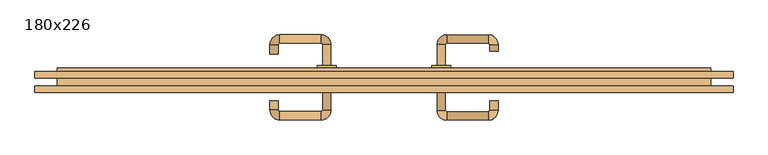
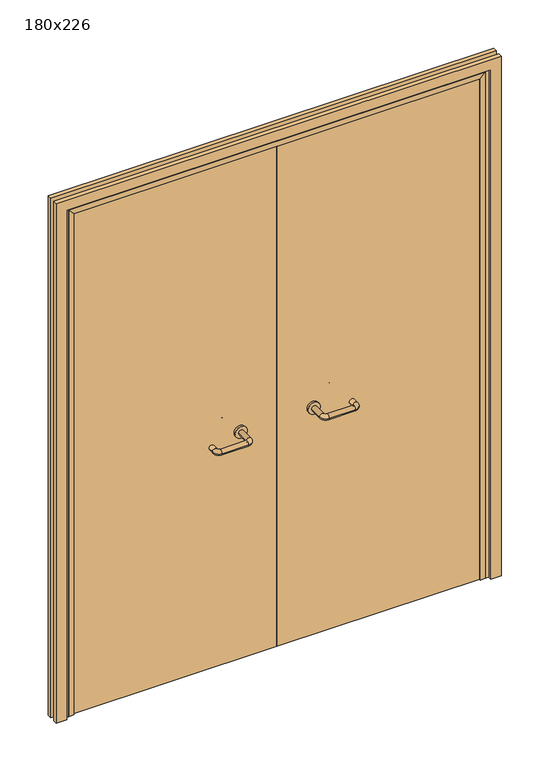
"""IFC4 building model written with IfcOpenShell, lengths in millimetres: door geometry, 180x226."""

from ifc_helpers import new_model, si_unit, point, frame, frame_2d, origin, place, context, project, spatial, polyline, circle_curve, ellipse_curve, trimmed, segment, composite_curve, outline, extrude, faceted_brep, source, transform, mapped, element, save
from ifc_brep_helpers import plane_surface, cylinder_surface, revolved_surface, advanced_brep


def door_180x226_486c941a(model_context):
    return source(origin(), model_context, "Body", "SolidModel", [
        faceted_brep([(-847.0, 37.0, 0.0), (-847.0, -15.0, 0.0), (-868.0, -15.0, 0.0), (-868.0, 37.0, 0.0), (-847.0, 37.0, 2207.0), (-847.0, -15.0, 2207.0), (-868.0, -15.0, 2228.0), (-868.0, 37.0, 2228.0), (847.0, 37.0, 0.0), (868.0, 37.0, 0.0), (868.0, -15.0, 0.0), (847.0, -15.0, 0.0), (868.0, 37.0, 2228.0), (847.0, 37.0, 2207.0), (868.0, -15.0, 2228.0), (847.0, -15.0, 2207.0)], [[[0, 1, 2, 3]], [[0, 4, 5, 1]], [[1, 5, 6, 2]], [[2, 6, 7, 3]], [[3, 7, 4, 0]], [[8, 9, 10, 11]], [[12, 9, 8, 13]], [[14, 10, 9, 12]], [[15, 11, 10, 14]], [[13, 8, 11, 15]], [[4, 13, 15, 5]], [[5, 15, 14, 6]], [[6, 14, 12, 7]], [[7, 12, 13, 4]]]),
        extrude(outline(polyline([(2287.0, 927.0), (2287.0, -927.0), (0.0, -927.0), (0.0, -883.0), (2243.0, -883.0), (2243.0, 883.0), (0.0, 883.0), (0.0, 927.0), (2287.0, 927.0)])), frame((0.0, -28.0, 0.0), z_axis=(0.0, 1.0, 0.0), x_axis=(0.0, 0.0, 1.0)), (0.0, 0.0, 1.0), 18.0),
        extrude(outline(polyline([(2287.0, -927.0), (0.0, -927.0), (0.0, -883.0), (2243.0, -883.0), (2243.0, 883.0), (0.0, 883.0), (0.0, 927.0), (2287.0, 927.0), (2287.0, -927.0)])), frame((0.0, 10.0, 0.0), z_axis=(0.0, 1.0, 0.0), x_axis=(0.0, 0.0, 1.0)), (0.0, 0.0, 1.0), 18.0),
        extrude(outline(polyline([(2260.0, -900.0), (0.0, -900.0), (0.0, -868.0), (2228.0, -868.0), (2228.0, 868.0), (0.0, 868.0), (0.0, 900.0), (2260.0, 900.0), (2260.0, -900.0)])), frame((0.0, -15.0, 0.0), z_axis=(0.0, 1.0, 0.0), x_axis=(0.0, 0.0, 1.0)), (0.0, 0.0, 1.0), 5.0),
        advanced_brep(
        [(140.99898, 44.0, 1003.0), (162.99898, 44.0, 1003.0), (162.99898, 99.3525369, 1003.0), (140.99898, 99.3525369, 1003.0), (166.99898, 103.3525369, 1003.0), (166.99898, 125.3525369, 1003.0), (276.99898, 103.3525369, 1003.0), (276.99898, 125.3525369, 1003.0), (280.99898, 99.3525369, 1003.0), (302.99898, 99.3525369, 1003.0), (302.99898, 82.0, 1003.0), (280.99898, 82.0, 1003.0)],
        [
            (0, 1, circle_curve(frame((151.99898, 44.0, 1003.0), z_axis=(0.0, -1.0, 0.0), x_axis=(1.0, 0.0, 0.0)), 11.0)),
            (1, 0, circle_curve(frame((151.99898, 44.0, 1003.0), z_axis=(0.0, -1.0, 0.0), x_axis=(1.0, 0.0, 0.0)), 11.0)),
            (1, 2),
            (2, 3, circle_curve(frame((151.99898, 99.3525369, 1003.0), z_axis=(0.0, -1.0, 0.0), x_axis=(1.0, 0.0, 0.0)), 11.0)),
            (3, 0),
            (3, 2, circle_curve(frame((151.99898, 99.3525369, 1003.0), z_axis=(0.0, -1.0, 0.0), x_axis=(1.0, 0.0, 0.0)), 11.0)),
            (4, 5, circle_curve(frame((166.99898, 114.3525369, 1003.0), z_axis=(-1.0, 0.0, 0.0), x_axis=(0.0, -1.0, 0.0)), 11.0)),
            (5, 3, circle_curve(frame((166.99898, 99.3525369, 1003.0), z_axis=(0.0, 0.0, 1.0), x_axis=(-1.0, 0.0, 0.0)), 26.0)),
            (2, 4, circle_curve(frame((166.99898, 99.3525369, 1003.0), z_axis=(0.0, 0.0, -1.0), x_axis=(-1.0, 0.0, 0.0)), 4.0)),
            (5, 4, circle_curve(frame((166.99898, 114.3525369, 1003.0), z_axis=(-1.0, 0.0, 0.0), x_axis=(0.0, -1.0, 0.0)), 11.0)),
            (4, 6),
            (6, 7, circle_curve(frame((276.99898, 114.3525369, 1003.0), z_axis=(-1.0, 0.0, 0.0), x_axis=(0.0, -1.0, 0.0)), 11.0)),
            (7, 5),
            (7, 6, circle_curve(frame((276.99898, 114.3525369, 1003.0), z_axis=(-1.0, 0.0, 0.0), x_axis=(0.0, -1.0, 0.0)), 11.0)),
            (8, 9, circle_curve(frame((291.99898, 99.3525369, 1003.0), z_axis=(0.0, 1.0, 0.0), x_axis=(-1.0, 0.0, 0.0)), 11.0)),
            (9, 7, circle_curve(frame((276.99898, 99.3525369, 1003.0), z_axis=(0.0, 0.0, 1.0), x_axis=(0.0, 1.0, 0.0)), 26.0)),
            (6, 8, circle_curve(frame((276.99898, 99.3525369, 1003.0), z_axis=(0.0, 0.0, -1.0), x_axis=(0.0, 1.0, 0.0)), 4.0)),
            (9, 8, circle_curve(frame((291.99898, 99.3525369, 1003.0), z_axis=(0.0, 1.0, 0.0), x_axis=(-1.0, 0.0, 0.0)), 11.0)),
            (10, 11, circle_curve(frame((291.99898, 82.0, 1003.0), z_axis=(0.0, -1.0, 0.0), x_axis=(-1.0, 0.0, 0.0)), 11.0)),
            (11, 10, circle_curve(frame((291.99898, 82.0, 1003.0), z_axis=(0.0, -1.0, 0.0), x_axis=(-1.0, 0.0, 0.0)), 11.0)),
            (8, 11),
            (10, 9),
        ],
        [
            plane_surface(frame((140.99898, 44.0, 1003.0), z_axis=(0.0, -1.0, 0.0), x_axis=(0.0, 0.0, -1.0))),
            cylinder_surface(frame((151.99898, 44.0, 1003.0), z_axis=(0.0, -1.0, 0.0), x_axis=(1.0, 0.0, 0.0)), 11.0),
            revolved_surface(trimmed(ellipse_curve(frame((151.99898, 99.3525369, 1003.0), z_axis=(0.0, 1.0, 0.0), x_axis=(1.0, 0.0, 0.0)), 11.0, 11.0), [point((140.99898, 99.3525369, 1003.0))], [point((162.99898, 99.3525369, 1003.0))], True, "CARTESIAN"), (166.99898, 99.3525369, 1003.0), (0.0, 0.0, 1.0)),
            revolved_surface(trimmed(ellipse_curve(frame((151.99898, 99.3525369, 1003.0), z_axis=(0.0, 1.0, 0.0), x_axis=(1.0, 0.0, 0.0)), 11.0, 11.0), [point((162.99898, 99.3525369, 1003.0))], [point((140.99898, 99.3525369, 1003.0))], True, "CARTESIAN"), (166.99898, 99.3525369, 1003.0), (0.0, 0.0, 1.0)),
            cylinder_surface(frame((166.99898, 114.3525369, 1003.0), z_axis=(-1.0, 0.0, 0.0), x_axis=(0.0, -1.0, 0.0)), 11.0),
            revolved_surface(trimmed(ellipse_curve(frame((276.99898, 114.3525369, 1003.0), z_axis=(1.0, 0.0, 0.0), x_axis=(0.0, -1.0, 0.0)), 11.0, 11.0), [point((276.99898, 125.3525369, 1003.0))], [point((276.99898, 103.3525369, 1003.0))], True, "CARTESIAN"), (276.99898, 99.3525369, 1003.0), (0.0, 0.0, 1.0)),
            revolved_surface(trimmed(ellipse_curve(frame((276.99898, 114.3525369, 1003.0), z_axis=(1.0, 0.0, 0.0), x_axis=(0.0, -1.0, 0.0)), 11.0, 11.0), [point((276.99898, 103.3525369, 1003.0))], [point((276.99898, 125.3525369, 1003.0))], True, "CARTESIAN"), (276.99898, 99.3525369, 1003.0), (0.0, 0.0, 1.0)),
            plane_surface(frame((280.99898, 82.0, 1003.0), z_axis=(0.0, -1.0, 0.0), x_axis=(0.0, 0.0, 1.0))),
            cylinder_surface(frame((291.99898, 99.3525369, 1003.0), z_axis=(0.0, 1.0, 0.0), x_axis=(-1.0, 0.0, 0.0)), 11.0),
        ],
        [
            (0, [[1, 2]]),
            (1, [[3, 4, 5, -2]]),
            (1, [[-5, 6, -3, -1]]),
            (2, [[7, 8, -4, 9]]),
            (3, [[10, -9, -6, -8]]),
            (4, [[11, 12, 13, -7]]),
            (4, [[-13, 14, -11, -10]]),
            (5, [[15, 16, -12, 17]]),
            (6, [[18, -17, -14, -16]]),
            (7, [[19, 20]]),
            (8, [[21, -19, 22, -15]]),
            (8, [[-22, -20, -21, -18]]),
        ],
    ),
        extrude(outline(composite_curve([segment(trimmed(circle_curve(frame_2d((1003.0, 151.99898)), 25.0), [point((1003.0, 126.99898))], [point((1003.0, 176.99898))], False, "CARTESIAN"), True, "CONTINUOUS"), segment(trimmed(circle_curve(frame_2d((1003.0, 151.99898)), 25.0), [point((1003.0, 176.99898))], [point((1003.0, 126.99898))], False, "CARTESIAN"), True, "CONTINUOUS")], self_intersect=False)), frame((0.0, 34.0, 0.0), z_axis=(0.0, 1.0, 0.0), x_axis=(0.0, 0.0, 1.0)), (0.0, 0.0, 1.0), 10.0),
        advanced_brep(
        [(162.99898, -20.0, 1003.0), (140.99898, -20.0, 1003.0), (140.99898, -75.0, 1003.0), (162.99898, -75.0, 1003.0), (166.99898, -101.0, 1003.0), (166.99898, -79.0, 1003.0), (276.99898, -101.0, 1003.0), (276.99898, -79.0, 1003.0), (302.99898, -75.0, 1003.0), (280.99898, -75.0, 1003.0), (280.99898, -50.0, 1003.0), (302.99898, -50.0, 1003.0)],
        [
            (0, 1, circle_curve(frame((151.99898, -20.0, 1003.0), z_axis=(0.0, 1.0, 0.0), x_axis=(-1.0, 0.0, 0.0)), 11.0)),
            (1, 0, circle_curve(frame((151.99898, -20.0, 1003.0), z_axis=(0.0, 1.0, 0.0), x_axis=(-1.0, 0.0, 0.0)), 11.0)),
            (1, 2),
            (2, 3, circle_curve(frame((151.99898, -75.0, 1003.0), z_axis=(0.0, 1.0, 0.0), x_axis=(-1.0, 0.0, 0.0)), 11.0)),
            (3, 0),
            (3, 2, circle_curve(frame((151.99898, -75.0, 1003.0), z_axis=(0.0, 1.0, 0.0), x_axis=(-1.0, 0.0, 0.0)), 11.0)),
            (4, 5, circle_curve(frame((166.99898, -90.0, 1003.0), z_axis=(-1.0, 0.0, 0.0), x_axis=(0.0, -1.0, 0.0)), 11.0)),
            (5, 3, circle_curve(frame((166.99898, -75.0, 1003.0), z_axis=(0.0, 0.0, -1.0), x_axis=(-1.0, 0.0, 0.0)), 4.0)),
            (2, 4, circle_curve(frame((166.99898, -75.0, 1003.0), z_axis=(0.0, 0.0, 1.0), x_axis=(-1.0, 0.0, 0.0)), 26.0)),
            (5, 4, circle_curve(frame((166.99898, -90.0, 1003.0), z_axis=(-1.0, 0.0, 0.0), x_axis=(0.0, -1.0, 0.0)), 11.0)),
            (4, 6),
            (6, 7, circle_curve(frame((276.99898, -90.0, 1003.0), z_axis=(-1.0, 0.0, 0.0), x_axis=(0.0, -1.0, 0.0)), 11.0)),
            (7, 5),
            (7, 6, circle_curve(frame((276.99898, -90.0, 1003.0), z_axis=(-1.0, 0.0, 0.0), x_axis=(0.0, -1.0, 0.0)), 11.0)),
            (8, 9, circle_curve(frame((291.99898, -75.0, 1003.0), z_axis=(0.0, -1.0, 0.0), x_axis=(1.0, 0.0, 0.0)), 11.0)),
            (9, 7, circle_curve(frame((276.99898, -75.0, 1003.0), z_axis=(0.0, 0.0, -1.0), x_axis=(0.0, -1.0, 0.0)), 4.0)),
            (6, 8, circle_curve(frame((276.99898, -75.0, 1003.0), z_axis=(0.0, 0.0, 1.0), x_axis=(0.0, -1.0, 0.0)), 26.0)),
            (9, 8, circle_curve(frame((291.99898, -75.0, 1003.0), z_axis=(0.0, -1.0, 0.0), x_axis=(1.0, 0.0, 0.0)), 11.0)),
            (10, 11, circle_curve(frame((291.99898, -50.0, 1003.0), z_axis=(0.0, 1.0, 0.0), x_axis=(1.0, 0.0, 0.0)), 11.0)),
            (11, 10, circle_curve(frame((291.99898, -50.0, 1003.0), z_axis=(0.0, 1.0, 0.0), x_axis=(1.0, 0.0, 0.0)), 11.0)),
            (8, 11),
            (10, 9),
        ],
        [
            plane_surface(frame((140.99898, -20.0, 1003.0), z_axis=(0.0, 1.0, 0.0), x_axis=(0.0, 0.0, 1.0))),
            cylinder_surface(frame((151.99898, -20.0, 1003.0), z_axis=(0.0, 1.0, 0.0), x_axis=(-1.0, 0.0, 0.0)), 11.0),
            revolved_surface(trimmed(ellipse_curve(frame((151.99898, -75.0, 1003.0), z_axis=(0.0, -1.0, 0.0), x_axis=(-1.0, 0.0, 0.0)), 11.0, 11.0), [point((162.99898, -75.0, 1003.0))], [point((140.99898, -75.0, 1003.0))], True, "CARTESIAN"), (166.99898, -75.0, 1003.0), (0.0, 0.0, -1.0)),
            revolved_surface(trimmed(ellipse_curve(frame((151.99898, -75.0, 1003.0), z_axis=(0.0, -1.0, 0.0), x_axis=(-1.0, 0.0, 0.0)), 11.0, 11.0), [point((140.99898, -75.0, 1003.0))], [point((162.99898, -75.0, 1003.0))], True, "CARTESIAN"), (166.99898, -75.0, 1003.0), (0.0, 0.0, -1.0)),
            cylinder_surface(frame((166.99898, -90.0, 1003.0), z_axis=(-1.0, 0.0, 0.0), x_axis=(0.0, -1.0, 0.0)), 11.0),
            revolved_surface(trimmed(ellipse_curve(frame((276.99898, -90.0, 1003.0), z_axis=(1.0, 0.0, 0.0), x_axis=(0.0, -1.0, 0.0)), 11.0, 11.0), [point((276.99898, -79.0, 1003.0))], [point((276.99898, -101.0, 1003.0))], True, "CARTESIAN"), (276.99898, -75.0, 1003.0), (0.0, 0.0, -1.0)),
            revolved_surface(trimmed(ellipse_curve(frame((276.99898, -90.0, 1003.0), z_axis=(1.0, 0.0, 0.0), x_axis=(0.0, -1.0, 0.0)), 11.0, 11.0), [point((276.99898, -101.0, 1003.0))], [point((276.99898, -79.0, 1003.0))], True, "CARTESIAN"), (276.99898, -75.0, 1003.0), (0.0, 0.0, -1.0)),
            plane_surface(frame((280.99898, -50.0, 1003.0), z_axis=(0.0, 1.0, 0.0), x_axis=(0.0, 0.0, -1.0))),
            cylinder_surface(frame((291.99898, -75.0, 1003.0), z_axis=(0.0, -1.0, 0.0), x_axis=(1.0, 0.0, 0.0)), 11.0),
        ],
        [
            (0, [[1, 2]]),
            (1, [[3, 4, 5, -2]]),
            (1, [[-5, 6, -3, -1]]),
            (2, [[7, 8, -4, 9]]),
            (3, [[10, -9, -6, -8]]),
            (4, [[11, 12, 13, -7]]),
            (4, [[-13, 14, -11, -10]]),
            (5, [[15, 16, -12, 17]]),
            (6, [[18, -17, -14, -16]]),
            (7, [[19, 20]]),
            (8, [[21, -19, 22, -15]]),
            (8, [[-22, -20, -21, -18]]),
        ],
    ),
        extrude(outline(composite_curve([segment(trimmed(circle_curve(frame_2d((1003.0, 151.99898)), 25.0), [point((1003.0, 176.99898))], [point((1003.0, 126.99898))], False, "CARTESIAN"), True, "CONTINUOUS"), segment(trimmed(circle_curve(frame_2d((1003.0, 151.99898)), 25.0), [point((1003.0, 126.99898))], [point((1003.0, 176.99898))], False, "CARTESIAN"), True, "CONTINUOUS")], self_intersect=False)), frame((0.0, -20.0, 0.0), z_axis=(0.0, 1.0, 0.0), x_axis=(0.0, 0.0, 1.0)), (0.0, 0.0, 1.0), 10.0),
        advanced_brep(
        [(-162.99898, 44.3113879, 1003.0), (-140.99898, 44.3113879, 1003.0), (-140.99898, 99.7220447, 1003.0), (-162.99898, 99.7220447, 1003.0), (-166.99898, 125.7220447, 1003.0), (-166.99898, 103.7220447, 1003.0), (-276.99898, 125.7220447, 1003.0), (-276.99898, 103.7220447, 1003.0), (-302.99898, 99.7220447, 1003.0), (-280.99898, 99.7220447, 1003.0), (-280.99898, 74.7220447, 1003.0), (-302.99898, 74.7220447, 1003.0)],
        [
            (0, 1, circle_curve(frame((-151.99898, 44.3113879, 1003.0), z_axis=(0.0, -1.0, 0.0), x_axis=(1.0, 0.0, 0.0)), 11.0)),
            (1, 0, circle_curve(frame((-151.99898, 44.3113879, 1003.0), z_axis=(0.0, -1.0, 0.0), x_axis=(1.0, 0.0, 0.0)), 11.0)),
            (1, 2),
            (2, 3, circle_curve(frame((-151.99898, 99.7220447, 1003.0), z_axis=(0.0, -1.0, 0.0), x_axis=(1.0, 0.0, 0.0)), 11.0)),
            (3, 0),
            (3, 2, circle_curve(frame((-151.99898, 99.7220447, 1003.0), z_axis=(0.0, -1.0, 0.0), x_axis=(1.0, 0.0, 0.0)), 11.0)),
            (4, 5, circle_curve(frame((-166.99898, 114.7220447, 1003.0), z_axis=(1.0, 0.0, 0.0), x_axis=(0.0, 1.0, 0.0)), 11.0)),
            (5, 3, circle_curve(frame((-166.99898, 99.7220447, 1003.0), z_axis=(0.0, 0.0, -1.0), x_axis=(1.0, 0.0, 0.0)), 4.0)),
            (2, 4, circle_curve(frame((-166.99898, 99.7220447, 1003.0), z_axis=(0.0, 0.0, 1.0), x_axis=(1.0, 0.0, 0.0)), 26.0)),
            (5, 4, circle_curve(frame((-166.99898, 114.7220447, 1003.0), z_axis=(1.0, 0.0, 0.0), x_axis=(0.0, 1.0, 0.0)), 11.0)),
            (4, 6),
            (6, 7, circle_curve(frame((-276.99898, 114.7220447, 1003.0), z_axis=(1.0, 0.0, 0.0), x_axis=(0.0, 1.0, 0.0)), 11.0)),
            (7, 5),
            (7, 6, circle_curve(frame((-276.99898, 114.7220447, 1003.0), z_axis=(1.0, 0.0, 0.0), x_axis=(0.0, 1.0, 0.0)), 11.0)),
            (8, 9, circle_curve(frame((-291.99898, 99.7220447, 1003.0), z_axis=(0.0, 1.0, 0.0), x_axis=(-1.0, 0.0, 0.0)), 11.0)),
            (9, 7, circle_curve(frame((-276.99898, 99.7220447, 1003.0), z_axis=(0.0, 0.0, -1.0), x_axis=(0.0, 1.0, 0.0)), 4.0)),
            (6, 8, circle_curve(frame((-276.99898, 99.7220447, 1003.0), z_axis=(0.0, 0.0, 1.0), x_axis=(0.0, 1.0, 0.0)), 26.0)),
            (9, 8, circle_curve(frame((-291.99898, 99.7220447, 1003.0), z_axis=(0.0, 1.0, 0.0), x_axis=(-1.0, 0.0, 0.0)), 11.0)),
            (10, 11, circle_curve(frame((-291.99898, 74.7220447, 1003.0), z_axis=(0.0, -1.0, 0.0), x_axis=(-1.0, 0.0, 0.0)), 11.0)),
            (11, 10, circle_curve(frame((-291.99898, 74.7220447, 1003.0), z_axis=(0.0, -1.0, 0.0), x_axis=(-1.0, 0.0, 0.0)), 11.0)),
            (8, 11),
            (10, 9),
        ],
        [
            plane_surface(frame((-162.99898, 44.3113879, 1003.0), z_axis=(0.0, -1.0, 0.0), x_axis=(0.0, 0.0, -1.0))),
            cylinder_surface(frame((-151.99898, 44.3113879, 1003.0), z_axis=(0.0, -1.0, 0.0), x_axis=(1.0, 0.0, 0.0)), 11.0),
            revolved_surface(trimmed(ellipse_curve(frame((-151.99898, 99.7220447, 1003.0), z_axis=(0.0, 1.0, 0.0), x_axis=(1.0, 0.0, 0.0)), 11.0, 11.0), [point((-162.99898, 99.7220447, 1003.0))], [point((-140.99898, 99.7220447, 1003.0))], True, "CARTESIAN"), (-166.99898, 99.7220447, 1003.0), (0.0, 0.0, -1.0)),
            revolved_surface(trimmed(ellipse_curve(frame((-151.99898, 99.7220447, 1003.0), z_axis=(0.0, 1.0, 0.0), x_axis=(1.0, 0.0, 0.0)), 11.0, 11.0), [point((-140.99898, 99.7220447, 1003.0))], [point((-162.99898, 99.7220447, 1003.0))], True, "CARTESIAN"), (-166.99898, 99.7220447, 1003.0), (0.0, 0.0, -1.0)),
            cylinder_surface(frame((-166.99898, 114.7220447, 1003.0), z_axis=(1.0, 0.0, 0.0), x_axis=(0.0, 1.0, 0.0)), 11.0),
            revolved_surface(trimmed(ellipse_curve(frame((-276.99898, 114.7220447, 1003.0), z_axis=(-1.0, 0.0, 0.0), x_axis=(0.0, 1.0, 0.0)), 11.0, 11.0), [point((-276.99898, 103.7220447, 1003.0))], [point((-276.99898, 125.7220447, 1003.0))], True, "CARTESIAN"), (-276.99898, 99.7220447, 1003.0), (0.0, 0.0, -1.0)),
            revolved_surface(trimmed(ellipse_curve(frame((-276.99898, 114.7220447, 1003.0), z_axis=(-1.0, 0.0, 0.0), x_axis=(0.0, 1.0, 0.0)), 11.0, 11.0), [point((-276.99898, 125.7220447, 1003.0))], [point((-276.99898, 103.7220447, 1003.0))], True, "CARTESIAN"), (-276.99898, 99.7220447, 1003.0), (0.0, 0.0, -1.0)),
            plane_surface(frame((-302.99898, 74.7220447, 1003.0), z_axis=(0.0, -1.0, 0.0), x_axis=(0.0, 0.0, 1.0))),
            cylinder_surface(frame((-291.99898, 99.7220447, 1003.0), z_axis=(0.0, 1.0, 0.0), x_axis=(-1.0, 0.0, 0.0)), 11.0),
        ],
        [
            (0, [[1, 2]]),
            (1, [[3, 4, 5, -2]]),
            (1, [[-5, 6, -3, -1]]),
            (2, [[7, 8, -4, 9]]),
            (3, [[10, -9, -6, -8]]),
            (4, [[11, 12, 13, -7]]),
            (4, [[-13, 14, -11, -10]]),
            (5, [[15, 16, -12, 17]]),
            (6, [[18, -17, -14, -16]]),
            (7, [[19, 20]]),
            (8, [[21, -19, 22, -15]]),
            (8, [[-22, -20, -21, -18]]),
        ],
    ),
        extrude(outline(composite_curve([segment(trimmed(circle_curve(frame_2d((1003.0, -151.99898)), 25.0), [point((1003.0, -176.99898))], [point((1003.0, -126.99898))], False, "CARTESIAN"), True, "CONTINUOUS"), segment(trimmed(circle_curve(frame_2d((1003.0, -151.99898)), 25.0), [point((1003.0, -126.99898))], [point((1003.0, -176.99898))], False, "CARTESIAN"), True, "CONTINUOUS")], self_intersect=False)), frame((0.0, 34.0, 0.0), z_axis=(0.0, 1.0, 0.0), x_axis=(0.0, 0.0, 1.0)), (0.0, 0.0, 1.0), 10.3113879),
        advanced_brep(
        [(-140.99898, -19.5143417, 1003.0), (-162.99898, -19.5143417, 1003.0), (-162.99898, -74.6104656, 1003.0), (-140.99898, -74.6104656, 1003.0), (-166.99898, -78.6104656, 1003.0), (-166.99898, -100.6104656, 1003.0), (-276.99898, -78.6104656, 1003.0), (-276.99898, -100.6104656, 1003.0), (-280.99898, -74.6104656, 1003.0), (-302.99898, -74.6104656, 1003.0), (-302.99898, -49.6104656, 1003.0), (-280.99898, -49.6104656, 1003.0)],
        [
            (0, 1, circle_curve(frame((-151.99898, -19.5143417, 1003.0), z_axis=(0.0, 1.0, 0.0), x_axis=(-1.0, 0.0, 0.0)), 11.0)),
            (1, 0, circle_curve(frame((-151.99898, -19.5143417, 1003.0), z_axis=(0.0, 1.0, 0.0), x_axis=(-1.0, 0.0, 0.0)), 11.0)),
            (1, 2),
            (2, 3, circle_curve(frame((-151.99898, -74.6104656, 1003.0), z_axis=(0.0, 1.0, 0.0), x_axis=(-1.0, 0.0, 0.0)), 11.0)),
            (3, 0),
            (3, 2, circle_curve(frame((-151.99898, -74.6104656, 1003.0), z_axis=(0.0, 1.0, 0.0), x_axis=(-1.0, 0.0, 0.0)), 11.0)),
            (4, 5, circle_curve(frame((-166.99898, -89.6104656, 1003.0), z_axis=(1.0, 0.0, 0.0), x_axis=(0.0, 1.0, 0.0)), 11.0)),
            (5, 3, circle_curve(frame((-166.99898, -74.6104656, 1003.0), z_axis=(0.0, 0.0, 1.0), x_axis=(1.0, 0.0, 0.0)), 26.0)),
            (2, 4, circle_curve(frame((-166.99898, -74.6104656, 1003.0), z_axis=(0.0, 0.0, -1.0), x_axis=(1.0, 0.0, 0.0)), 4.0)),
            (5, 4, circle_curve(frame((-166.99898, -89.6104656, 1003.0), z_axis=(1.0, 0.0, 0.0), x_axis=(0.0, 1.0, 0.0)), 11.0)),
            (4, 6),
            (6, 7, circle_curve(frame((-276.99898, -89.6104656, 1003.0), z_axis=(1.0, 0.0, 0.0), x_axis=(0.0, 1.0, 0.0)), 11.0)),
            (7, 5),
            (7, 6, circle_curve(frame((-276.99898, -89.6104656, 1003.0), z_axis=(1.0, 0.0, 0.0), x_axis=(0.0, 1.0, 0.0)), 11.0)),
            (8, 9, circle_curve(frame((-291.99898, -74.6104656, 1003.0), z_axis=(0.0, -1.0, 0.0), x_axis=(1.0, 0.0, 0.0)), 11.0)),
            (9, 7, circle_curve(frame((-276.99898, -74.6104656, 1003.0), z_axis=(0.0, 0.0, 1.0), x_axis=(0.0, -1.0, 0.0)), 26.0)),
            (6, 8, circle_curve(frame((-276.99898, -74.6104656, 1003.0), z_axis=(0.0, 0.0, -1.0), x_axis=(0.0, -1.0, 0.0)), 4.0)),
            (9, 8, circle_curve(frame((-291.99898, -74.6104656, 1003.0), z_axis=(0.0, -1.0, 0.0), x_axis=(1.0, 0.0, 0.0)), 11.0)),
            (10, 11, circle_curve(frame((-291.99898, -49.6104656, 1003.0), z_axis=(0.0, 1.0, 0.0), x_axis=(1.0, 0.0, 0.0)), 11.0)),
            (11, 10, circle_curve(frame((-291.99898, -49.6104656, 1003.0), z_axis=(0.0, 1.0, 0.0), x_axis=(1.0, 0.0, 0.0)), 11.0)),
            (8, 11),
            (10, 9),
        ],
        [
            plane_surface(frame((-162.99898, -19.5143417, 1003.0), z_axis=(0.0, 1.0, 0.0), x_axis=(0.0, 0.0, 1.0))),
            cylinder_surface(frame((-151.99898, -19.5143417, 1003.0), z_axis=(0.0, 1.0, 0.0), x_axis=(-1.0, 0.0, 0.0)), 11.0),
            revolved_surface(trimmed(ellipse_curve(frame((-151.99898, -74.6104656, 1003.0), z_axis=(0.0, -1.0, 0.0), x_axis=(-1.0, 0.0, 0.0)), 11.0, 11.0), [point((-140.99898, -74.6104656, 1003.0))], [point((-162.99898, -74.6104656, 1003.0))], True, "CARTESIAN"), (-166.99898, -74.6104656, 1003.0), (0.0, 0.0, 1.0)),
            revolved_surface(trimmed(ellipse_curve(frame((-151.99898, -74.6104656, 1003.0), z_axis=(0.0, -1.0, 0.0), x_axis=(-1.0, 0.0, 0.0)), 11.0, 11.0), [point((-162.99898, -74.6104656, 1003.0))], [point((-140.99898, -74.6104656, 1003.0))], True, "CARTESIAN"), (-166.99898, -74.6104656, 1003.0), (0.0, 0.0, 1.0)),
            cylinder_surface(frame((-166.99898, -89.6104656, 1003.0), z_axis=(1.0, 0.0, 0.0), x_axis=(0.0, 1.0, 0.0)), 11.0),
            revolved_surface(trimmed(ellipse_curve(frame((-276.99898, -89.6104656, 1003.0), z_axis=(-1.0, 0.0, 0.0), x_axis=(0.0, 1.0, 0.0)), 11.0, 11.0), [point((-276.99898, -100.6104656, 1003.0))], [point((-276.99898, -78.6104656, 1003.0))], True, "CARTESIAN"), (-276.99898, -74.6104656, 1003.0), (0.0, 0.0, 1.0)),
            revolved_surface(trimmed(ellipse_curve(frame((-276.99898, -89.6104656, 1003.0), z_axis=(-1.0, 0.0, 0.0), x_axis=(0.0, 1.0, 0.0)), 11.0, 11.0), [point((-276.99898, -78.6104656, 1003.0))], [point((-276.99898, -100.6104656, 1003.0))], True, "CARTESIAN"), (-276.99898, -74.6104656, 1003.0), (0.0, 0.0, 1.0)),
            plane_surface(frame((-302.99898, -49.6104656, 1003.0), z_axis=(0.0, 1.0, 0.0), x_axis=(0.0, 0.0, -1.0))),
            cylinder_surface(frame((-291.99898, -74.6104656, 1003.0), z_axis=(0.0, -1.0, 0.0), x_axis=(1.0, 0.0, 0.0)), 11.0),
        ],
        [
            (0, [[1, 2]]),
            (1, [[3, 4, 5, -2]]),
            (1, [[-5, 6, -3, -1]]),
            (2, [[7, 8, -4, 9]]),
            (3, [[10, -9, -6, -8]]),
            (4, [[11, 12, 13, -7]]),
            (4, [[-13, 14, -11, -10]]),
            (5, [[15, 16, -12, 17]]),
            (6, [[18, -17, -14, -16]]),
            (7, [[19, 20]]),
            (8, [[21, -19, 22, -15]]),
            (8, [[-22, -20, -21, -18]]),
        ],
    ),
        extrude(outline(composite_curve([segment(trimmed(circle_curve(frame_2d((1003.0, -151.99898)), 25.0), [point((1003.0, -126.99898))], [point((1003.0, -176.99898))], False, "CARTESIAN"), True, "CONTINUOUS"), segment(trimmed(circle_curve(frame_2d((1003.0, -151.99898)), 25.0), [point((1003.0, -176.99898))], [point((1003.0, -126.99898))], False, "CARTESIAN"), True, "CONTINUOUS")], self_intersect=False)), frame((0.0, -19.5143417, 0.0), z_axis=(0.0, 1.0, 0.0), x_axis=(0.0, 0.0, 1.0)), (0.0, 0.0, 1.0), 9.5143417),
        extrude(outline(polyline([(1.0739506, 34.0), (1.0739506, -10.0), (-865.0, -10.0), (-865.0, 34.0), (1.0739506, 34.0)])), frame((0.0, 0.0, 1.753223), z_axis=(0.0, 0.0, 1.0), x_axis=(1.0, 0.0, 0.0)), (0.0, 0.0, 1.0), 2226.246777),
        extrude(outline(polyline([(865.0, 34.0), (865.0, -10.0), (1.0739506, -10.0), (1.0739506, 34.0), (865.0, 34.0)])), frame((0.0, 0.0, 1.753223), z_axis=(0.0, 0.0, 1.0), x_axis=(1.0, 0.0, 0.0)), (0.0, 0.0, 1.0), 2226.246777),
    ])


if __name__ == "__main__":
    model = new_model("IFC4")
    model_context = context("Model", 3, world=origin())
    ifc_project = project(units=[si_unit("LENGTHUNIT", "METRE", prefix="MILLI")], contexts=[model_context])
    site = spatial("IfcSite", under=ifc_project)
    building = spatial("IfcBuilding", under=site)
    placement = place(None, origin())
    door_180x226_shape = door_180x226_486c941a(model_context)
    element("IfcDoor", 1, ObjectType="180x226", at=placement, inside=building, context=model_context, shape_type="MappedRepresentation", body=[
        mapped(door_180x226_shape, transform((0.0, 0.0, 0.0), x_axis=(1.0, 0.0, 0.0), y_axis=(0.0, 1.0, 0.0), z_axis=(0.0, 0.0, 1.0))),
    ])
    save(model, "model.ifc")
